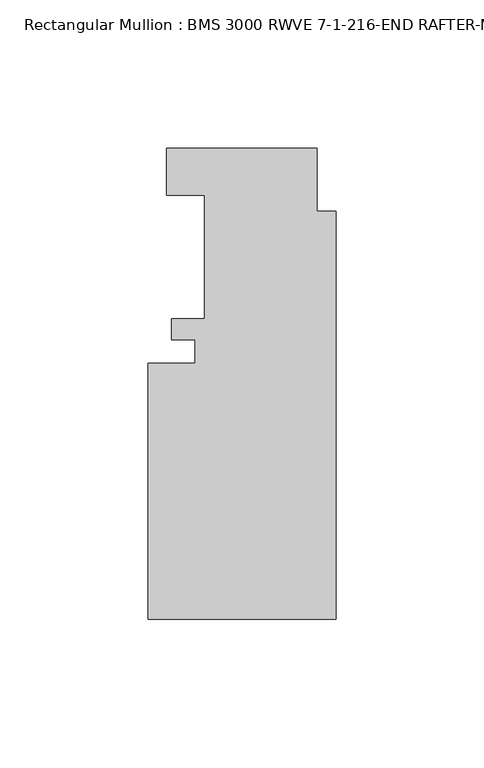
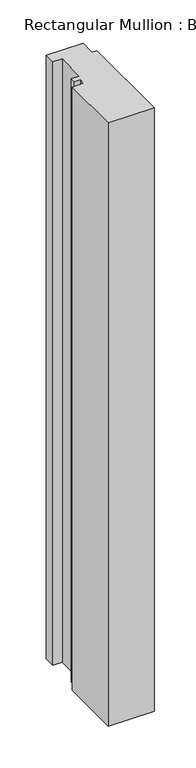
"""IFC4 building model written with IfcOpenShell, lengths in millimetres: member geometry, Rectangular Mullion : BMS 3000 RWVE 7-1-216-END RAFTER-MIR."""

import ifcopenshell
import ifcopenshell.guid

model = None  # the IFC model being written
_history = None  # IfcOwnerHistory: only IFC2X3 demands one
_inside = {}  # id of a spatial element -> (the spatial element, [elements in it])
_under = {}  # id of a project, library or spatial element -> (it, [spatial elements below it])
_declared = {}  # id of a project -> (the project, [libraries it declares])
_typed = {}  # id of a type object -> (the type object, [elements of that type])
_made_of = {}  # id of a material, layer set ... -> (it, [elements and type objects made of it])


def new_model(schema):
    """Start an empty IFC model of exactly this schema.

    Asked for "IFC4X3", IfcOpenShell would pick the latest addendum, in which some entities
    have other attributes; the version numbers below select the first issue.
    IFC2X3 requires an IfcOwnerHistory on every rooted entity: one is made here for all.
    """
    global model, _history
    if schema == "IFC4X3":
        model = ifcopenshell.file(schema_version=(4, 3, 0, 0))
    else:
        model = ifcopenshell.file(schema=schema)
    _inside.clear()
    _under.clear()
    _declared.clear()
    _typed.clear()
    _made_of.clear()
    _history = None
    if model.schema == "IFC2X3":
        org = make("IfcOrganization", Name="unknown")
        user = make(
            "IfcPersonAndOrganization",
            ThePerson=make("IfcPerson", FamilyName="unknown"),
            TheOrganization=org,
        )
        app = make(
            "IfcApplication",
            ApplicationDeveloper=org,
            Version="unknown",
            ApplicationFullName="unknown",
            ApplicationIdentifier="unknown",
        )
        _history = make(
            "IfcOwnerHistory",
            OwningUser=user,
            OwningApplication=app,
            ChangeAction="ADDED",
            CreationDate=0,
        )
    return model


def make(cls, **values):
    """One entity of the class cls with the attributes given. An attribute that is None is left unset."""
    return model.create_entity(
        cls, **{name: value for name, value in values.items() if value is not None}
    )


def rooted(cls, **values):
    """An entity with a GlobalId (a new one), such as an element, a storey or a relation."""
    return make(cls, GlobalId=ifcopenshell.guid.new(), OwnerHistory=_history, **values)


def si_unit(unit_type, name, prefix=None):
    """IfcSIUnit, for example si_unit("LENGTHUNIT", "METRE", prefix="MILLI")."""
    return make("IfcSIUnit", UnitType=unit_type, Prefix=prefix, Name=name)


def assignment(units):
    """IfcUnitAssignment: the units of a project."""
    return None if units is None else make("IfcUnitAssignment", Units=units)


def point(xyz):
    """IfcCartesianPoint."""
    return None if xyz is None else make("IfcCartesianPoint", Coordinates=xyz)


def direction(xyz):
    """IfcDirection."""
    return None if xyz is None else make("IfcDirection", DirectionRatios=xyz)


def frame(location, z_axis=None, x_axis=None):
    """IfcAxis2Placement3D, a coordinate frame: its origin and axes. An axis left out is left unset."""
    return make(
        "IfcAxis2Placement3D",
        Location=point(location),
        Axis=direction(z_axis),
        RefDirection=direction(x_axis),
    )


def origin():
    """The frame at (0, 0, 0) with its axes left unset."""
    return frame((0.0, 0.0, 0.0))


def place(relative_to, where):
    """IfcLocalPlacement: puts the frame where relative to a parent placement (None: the world)."""
    return make(
        "IfcLocalPlacement", PlacementRelTo=relative_to, RelativePlacement=where
    )


def context(
    kind, dimensions, precision=None, world=None, true_north=None, identifier=None
):
    """IfcGeometricRepresentationContext, for example the 3D "Model" context."""
    return make(
        "IfcGeometricRepresentationContext",
        ContextIdentifier=identifier,
        ContextType=kind,
        CoordinateSpaceDimension=dimensions,
        Precision=precision,
        WorldCoordinateSystem=world,
        TrueNorth=true_north,
    )


def project(units=None, contexts=None):
    """IfcProject with its units and contexts."""
    return rooted(
        "IfcProject",
        Name="project",
        RepresentationContexts=contexts,
        UnitsInContext=assignment(units),
    )


def spatial(cls, under=None, at=None, **own):
    """A site, building, storey or space (cls), placed at a placement, below another one or the project."""
    s = rooted(cls, ObjectPlacement=at, **own)
    if under is not None:
        _under.setdefault(under.id(), (under, []))[1].append(s)
    return s


def polyline(points):
    """IfcPolyline through the points."""
    return make("IfcPolyline", Points=[point(p) for p in points])


def outline(outer, holes=None, kind="AREA"):
    """IfcArbitraryClosedProfileDef: a profile drawn as a closed curve; with holes, ...WithVoids."""
    if holes is None:
        return make("IfcArbitraryClosedProfileDef", ProfileType=kind, OuterCurve=outer)
    return make(
        "IfcArbitraryProfileDefWithVoids",
        ProfileType=kind,
        OuterCurve=outer,
        InnerCurves=holes,
    )


def extrude(swept, where, along, depth):
    """IfcExtrudedAreaSolid: the profile swept, set in the frame where, extruded along a direction by depth."""
    return make(
        "IfcExtrudedAreaSolid",
        SweptArea=swept,
        Position=where,
        ExtrudedDirection=direction(along),
        Depth=depth,
    )


def shape(context_of_items, identifier, shape_type, items):
    """IfcShapeRepresentation: the items that make up one representation, for example the "Body"."""
    return make(
        "IfcShapeRepresentation",
        ContextOfItems=context_of_items,
        RepresentationIdentifier=identifier,
        RepresentationType=shape_type,
        Items=items,
    )


def source(mapping_origin, context_of_items, identifier, shape_type, items):
    """IfcRepresentationMap: a shape defined once, which mapped items show again and again."""
    return make(
        "IfcRepresentationMap",
        MappingOrigin=mapping_origin,
        MappedRepresentation=shape(context_of_items, identifier, shape_type, items),
    )


def transform(
    local_origin,
    x_axis=None,
    y_axis=None,
    z_axis=None,
    scale=None,
    scale2=None,
    scale3=None,
    uniform=True,
):
    """IfcCartesianTransformationOperator3D, or its non-uniform kind. x_axis, y_axis, z_axis: its Axis1, 2, 3."""
    if uniform:
        return make(
            "IfcCartesianTransformationOperator3D",
            Axis1=direction(x_axis),
            Axis2=direction(y_axis),
            LocalOrigin=point(local_origin),
            Scale=scale,
            Axis3=direction(z_axis),
        )
    return make(
        "IfcCartesianTransformationOperator3DnonUniform",
        Axis1=direction(x_axis),
        Axis2=direction(y_axis),
        LocalOrigin=point(local_origin),
        Scale=scale,
        Axis3=direction(z_axis),
        Scale2=scale2,
        Scale3=scale3,
    )


def mapped(mapping_source, mapping_target):
    """IfcMappedItem: shows the shape of a source again, moved by a transform."""
    return make(
        "IfcMappedItem", MappingSource=mapping_source, MappingTarget=mapping_target
    )


def made_of(thing, what):
    """Note that an element or type object is made of a material, layer set ...; save() writes the relation."""
    if what is not None:
        _made_of.setdefault(what.id(), (what, []))[1].append(thing)
    return thing


def element(
    cls,
    number,
    at=None,
    inside=None,
    cuts=None,
    type_object=None,
    material=None,
    context=None,
    identifier="Body",
    shape_type=None,
    held_by="IfcProductDefinitionShape",
    body=None,
    shapes=None,
    **own,
):
    """One element of the class cls, such as IfcWall. Its Tag is "e" and its number.

    at: its placement. inside: the storey or other place that contains it. cuts: it is an
    opening in that element (IfcRelVoidsElement). A single representation is given by context,
    identifier, shape_type and body (its items); several are given by shapes. held_by: the class
    of the entity that holds the representations. save() writes the other relations.
    """
    e = rooted(cls, Tag="e%d" % number, ObjectPlacement=at, **own)
    if body is not None:
        shapes = [shape(context, identifier, shape_type, body)]
    if shapes is not None:
        e.Representation = make(held_by, Representations=shapes)
    if inside is not None:
        _inside.setdefault(inside.id(), (inside, []))[1].append(e)
    if cuts is not None:
        rooted(
            "IfcRelVoidsElement", RelatingBuildingElement=cuts, RelatedOpeningElement=e
        )
    if type_object is not None:
        _typed.setdefault(type_object.id(), (type_object, []))[1].append(e)
    return made_of(e, material)


def aggregate(whole, parts):
    """IfcRelAggregates: a whole, such as a stair, and the parts it consists of."""
    return rooted("IfcRelAggregates", RelatingObject=whole, RelatedObjects=parts)


def save(model, path):
    """Write the relations noted so far, then the file.

    IfcRelAggregates (storeys below a building ...), IfcRelContainedInSpatialStructure (elements
    in a storey), IfcRelDefinesByType, IfcRelAssociatesMaterial and IfcRelDeclares: one each for
    every whole, place, type object, material and project.
    """
    for whole, parts in _under.values():
        aggregate(whole, parts)
    for where, things in _inside.values():
        rooted(
            "IfcRelContainedInSpatialStructure",
            RelatedElements=things,
            RelatingStructure=where,
        )
    for kind, things in _typed.values():
        rooted("IfcRelDefinesByType", RelatedObjects=things, RelatingType=kind)
    for what, things in _made_of.values():
        rooted("IfcRelAssociatesMaterial", RelatedObjects=things, RelatingMaterial=what)
    for by, libraries in _declared.values():
        rooted("IfcRelDeclares", RelatingContext=by, RelatedDefinitions=libraries)
    model.write(path)


def rectangular_mullion_bms_3000_rwve_7_1_216_end_rafter_mir_db075655(model_context):
    return source(origin(), model_context, "Body", "SweptSolid", [
        extrude(outline(polyline([(0.0, -15.1495125), (0.0, -152.9953125), (-63.5, -152.9953125), (-63.5, -66.4575125), (-47.625, -66.4575125), (-47.625, -58.5581125), (-55.5752, -58.5581125), (-55.5752, -51.3953125), (-44.45, -51.3953125), (-44.45, -9.7393125), (-57.15, -9.7393125), (-57.15, 6.1356875), (-6.35, 6.1356875), (-6.35, -15.1495125), (0.0, -15.1495125)])), frame((0.0, 0.0, -882.65), z_axis=(0.0, 0.0, 1.0), x_axis=(1.0, 0.0, 0.0)), (0.0, 0.0, 1.0), 882.65),
    ])


if __name__ == "__main__":
    model = new_model("IFC4")
    model_context = context("Model", 3, world=origin())
    ifc_project = project(units=[si_unit("LENGTHUNIT", "METRE", prefix="MILLI")], contexts=[model_context])
    site = spatial("IfcSite", under=ifc_project)
    building = spatial("IfcBuilding", under=site)
    placement = place(None, origin())
    rectangular_mullion_bms_3000_rwve_7_1_216_end_rafter_mir_shape = rectangular_mullion_bms_3000_rwve_7_1_216_end_rafter_mir_db075655(model_context)
    element("IfcMember", 1, ObjectType="Rectangular Mullion : BMS 3000 RWVE 7-1-216-END RAFTER-MIR", at=placement, inside=building, context=model_context, shape_type="MappedRepresentation", body=[
        mapped(rectangular_mullion_bms_3000_rwve_7_1_216_end_rafter_mir_shape, transform((0.0, 0.0, 0.0), x_axis=(1.0, 0.0, 0.0), y_axis=(0.0, 1.0, 0.0), z_axis=(0.0, 0.0, 1.0))),
    ])
    save(model, "model.ifc")
